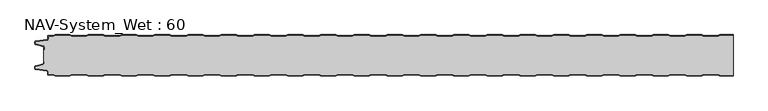
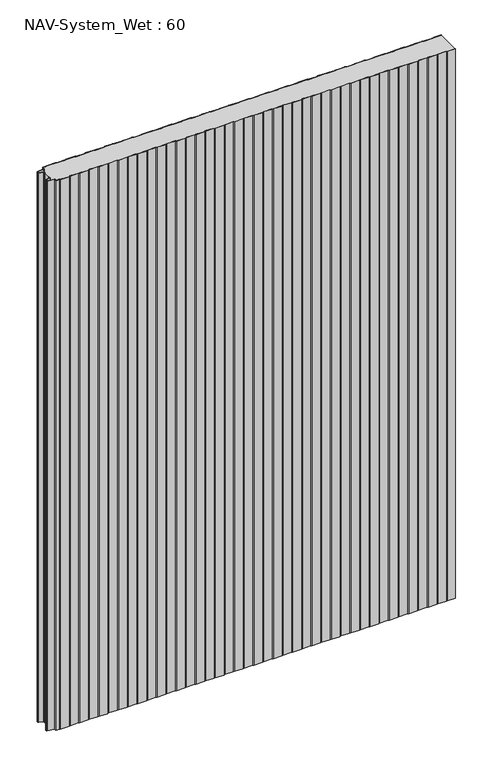
"""IFC4 building model written with IfcOpenShell, lengths in millimetres: plate geometry, NAV-System_Wet : 60."""

from ifc_helpers import new_model, si_unit, point, frame_2d, origin, origin_with_axes, place, context, project, spatial, polyline, circle_curve, trimmed, segment, composite_curve, outline, extrude, source, transform, mapped, element, save


def nav_system_wet_60_03196c80(model_context):
    return source(origin(), model_context, "Body", "SweptSolid", [
        extrude(outline(composite_curve([segment(polyline([(480.3684327, -0.8), (477.3684327, 0.2), (455.3684327, 0.2), (452.3684327, -0.8), (430.3684327, -0.8), (427.3684327, 0.2), (405.3684327, 0.2), (402.3684327, -0.8), (380.3684327, -0.8), (377.3684327, 0.2), (355.3684327, 0.2), (352.3684327, -0.8), (330.3684327, -0.8), (327.3684327, 0.2), (305.3684327, 0.2), (302.3684327, -0.8), (280.3684327, -0.8), (277.3684327, 0.2), (255.3684327, 0.2), (252.3684327, -0.8), (230.3684327, -0.8), (227.3684327, 0.2), (205.3684327, 0.2), (202.3684327, -0.8), (180.3684327, -0.8), (177.3684327, 0.2), (155.3684327, 0.2), (152.3684327, -0.8), (130.3684327, -0.8), (127.3684327, 0.2), (105.3684327, 0.2), (102.3684327, -0.8), (80.3684327, -0.8), (77.3684327, 0.2), (55.3684327, 0.2), (52.3684327, -0.8), (30.3684327, -0.8), (27.3684327, 0.2), (5.3684327, 0.2), (2.3684327, -0.8), (-19.6315673, -0.8), (-22.6315673, 0.2), (-44.6315673, 0.2), (-47.6315673, -0.8), (-69.6315673, -0.8), (-72.6315673, 0.2), (-94.6315673, 0.2), (-97.6315673, -0.8), (-119.6315673, -0.8), (-122.6315673, 0.2), (-144.6315673, 0.2), (-147.6315673, -0.8), (-169.6315673, -0.8), (-172.6315673, 0.2), (-194.6315673, 0.2), (-197.6315673, -0.8), (-219.6315673, -0.8), (-222.6315673, 0.2), (-244.6315673, 0.2), (-247.6315673, -0.8), (-269.6315673, -0.8), (-272.6315673, 0.2), (-294.6315673, 0.2), (-297.6315673, -0.8), (-319.6315673, -0.8), (-322.6315673, 0.2), (-344.6315673, 0.2), (-347.6315673, -0.8), (-369.6315673, -0.8), (-372.6315673, 0.2), (-394.6315673, 0.2), (-397.6315673, -0.8), (-419.6315673, -0.8), (-422.6315673, 0.2), (-444.6315673, 0.2), (-447.6315673, -0.8), (-469.6315673, -0.8), (-472.6315673, 0.2), (-494.6315673, 0.2), (-497.6315673, -0.8), (-504.7, -0.8)]), True, "CONTINUOUS"), segment(trimmed(circle_curve(frame_2d((-504.7, -1.3)), 0.5), [point((-504.7, -0.8))], [point((-505.2, -1.3))], True, "CARTESIAN"), True, "CONTINUOUS"), segment(polyline([(-505.2, -1.3), (-505.2, -5.3964683)]), True, "CONTINUOUS"), segment(trimmed(circle_curve(frame_2d((-506.7, -5.3964683)), 1.5), [point((-505.2, -5.3964683))], [point((-506.4911207, -6.8818536))], False, "CARTESIAN"), True, "CONTINUOUS"), segment(polyline([(-506.4911207, -6.8818536), (-523.4352183, -9.2645825)]), True, "CONTINUOUS"), segment(trimmed(circle_curve(frame_2d((-523.3114909, -10.1444347)), 0.8885091), [point((-523.4352183, -9.2645825))], [point((-524.2, -10.1444347))], True, "CARTESIAN"), True, "CONTINUOUS"), segment(polyline([(-524.2, -10.1444347), (-524.2, -12.46995)]), True, "CONTINUOUS"), segment(trimmed(circle_curve(frame_2d((-523.6, -12.46995)), 0.6), [point((-524.2, -12.46995))], [point((-523.7552914, -13.0495055))], True, "CARTESIAN"), True, "CONTINUOUS"), segment(polyline([(-523.7552914, -13.0495055), (-512.3785632, -16.0978907)]), True, "CONTINUOUS"), segment(trimmed(circle_curve(frame_2d((-512.7667917, -17.5467794)), 1.5), [point((-512.3785632, -16.0978907))], [point((-511.2667917, -17.5467794))], False, "CARTESIAN"), True, "CONTINUOUS"), segment(polyline([(-511.2667917, -17.5467794), (-511.2667917, -21.0096505), (-512.0667917, -21.0096505), (-512.0667917, -17.5467794)]), True, "CONTINUOUS"), segment(trimmed(circle_curve(frame_2d((-512.7667917, -17.5467794)), 0.7), [point((-512.0667917, -17.5467794))], [point((-512.5856184, -16.8706313))], True, "CARTESIAN"), True, "CONTINUOUS"), segment(polyline([(-512.5856184, -16.8706313), (-524.0364648, -13.8023863)]), True, "CONTINUOUS"), segment(trimmed(circle_curve(frame_2d((-523.7, -12.5466827)), 1.3), [point((-524.0364648, -13.8023863))], [point((-525.0, -12.5466827))], False, "CARTESIAN"), True, "CONTINUOUS"), segment(polyline([(-525.0, -12.5466827), (-525.0, -9.8067363)]), True, "CONTINUOUS"), segment(trimmed(circle_curve(frame_2d((-523.7, -9.8067363)), 1.3), [point((-525.0, -9.8067363))], [point((-523.8810287, -8.5194024))], False, "CARTESIAN"), True, "CONTINUOUS"), segment(polyline([(-523.8810287, -8.5194024), (-506.602523, -6.0896481)]), True, "CONTINUOUS"), segment(trimmed(circle_curve(frame_2d((-506.7, -5.3964683)), 0.7), [point((-506.602523, -6.0896481))], [point((-506.0, -5.3964683))], True, "CARTESIAN"), True, "CONTINUOUS"), segment(polyline([(-506.0, -5.3964683), (-506.0, -1.3)]), True, "CONTINUOUS"), segment(trimmed(circle_curve(frame_2d((-504.7, -1.3)), 1.3), [point((-506.0, -1.3))], [point((-504.7, 0.0))], False, "CARTESIAN"), True, "CONTINUOUS"), segment(polyline([(-504.7, 0.0), (-497.7613895, 0.0), (-494.7613895, 1.0), (-472.5017452, 1.0), (-469.5017452, 0.0), (-447.7613895, 0.0), (-444.7613895, 1.0), (-422.5017452, 1.0), (-419.5017452, 0.0), (-397.7613895, 0.0), (-394.7613895, 1.0), (-372.5017452, 1.0), (-369.5017452, 0.0), (-347.7613895, 0.0), (-344.7613895, 1.0), (-322.5017452, 1.0), (-319.5017452, 0.0), (-297.7613895, 0.0), (-294.7613895, 1.0), (-272.5017452, 1.0), (-269.5017452, 0.0), (-247.7613895, 0.0), (-244.7613895, 1.0), (-222.5017452, 1.0), (-219.5017452, 0.0), (-197.7613895, 0.0), (-194.7613895, 1.0), (-172.5017452, 1.0), (-169.5017452, 0.0), (-147.7613895, 0.0), (-144.7613895, 1.0), (-122.5017452, 1.0), (-119.5017452, 0.0), (-97.7613895, 0.0), (-94.7613895, 1.0), (-72.5017452, 1.0), (-69.5017452, 0.0), (-47.7613895, 0.0), (-44.7613895, 1.0), (-22.5017452, 1.0), (-19.5017452, 0.0), (2.2386105, 0.0), (5.2386105, 1.0), (27.4982548, 1.0), (30.4982548, 0.0), (52.2386105, 0.0), (55.2386105, 1.0), (77.4982548, 1.0), (80.4982548, 0.0), (102.2386105, 0.0), (105.2386105, 1.0), (127.4982548, 1.0), (130.4982548, 0.0), (152.2386105, 0.0), (155.2386105, 1.0), (177.4982548, 1.0), (180.4982548, 0.0), (202.2386105, 0.0), (205.2386105, 1.0), (227.4982548, 1.0), (230.4982548, 0.0), (252.2386105, 0.0), (255.2386105, 1.0), (277.4982548, 1.0), (280.4982548, 0.0), (302.2386105, 0.0), (305.2386105, 1.0), (327.4982548, 1.0), (330.4982548, 0.0), (352.2386105, 0.0), (355.2386105, 1.0), (377.4982548, 1.0), (380.4982548, 0.0), (402.2386105, 0.0), (405.2386105, 1.0), (427.4982548, 1.0), (430.4982548, 0.0), (452.2386105, 0.0), (455.2386105, 1.0), (477.4982548, 1.0), (480.4982548, 0.0), (502.2386105, 0.0), (505.2386105, 1.0), (525.0, 1.0), (525.0, 0.2), (505.3684327, 0.2), (502.3684327, -0.8), (480.3684327, -0.8)]), True, "CONTINUOUS")], self_intersect=False)), origin_with_axes(), (0.0, 0.0, 1.0), 1500.0),
        extrude(outline(composite_curve([segment(polyline([(480.3684327, -0.8), (502.3684327, -0.8), (505.3684327, 0.2), (525.0, 0.2), (525.0, -60.2), (505.3684327, -60.2), (502.3684327, -59.2), (480.3684327, -59.2), (477.3684327, -60.2), (455.3684327, -60.2), (452.3684327, -59.2), (430.3684327, -59.2), (427.3684327, -60.2), (405.3684327, -60.2), (402.3684327, -59.2), (380.3684327, -59.2), (377.3684327, -60.2), (355.3684327, -60.2), (352.3684327, -59.2), (330.3684327, -59.2), (327.3684327, -60.2), (305.3684327, -60.2), (302.3684327, -59.2), (280.3684327, -59.2), (277.3684327, -60.2), (255.3684327, -60.2), (252.3684327, -59.2), (230.3684327, -59.2), (227.3684327, -60.2), (205.3684327, -60.2), (202.3684327, -59.2), (180.3684327, -59.2), (177.3684327, -60.2), (155.3684327, -60.2), (152.3684327, -59.2), (130.3684327, -59.2), (127.3684327, -60.2), (105.3684327, -60.2), (102.3684327, -59.2), (80.3684327, -59.2), (77.3684327, -60.2), (55.3684327, -60.2), (52.3684327, -59.2), (30.3684327, -59.2), (27.3684327, -60.2), (5.3684327, -60.2), (2.3684327, -59.2), (-19.6315673, -59.2), (-22.6315673, -60.2), (-44.6315673, -60.2), (-47.6315673, -59.2), (-69.6315673, -59.2), (-72.6315673, -60.2), (-94.6315673, -60.2), (-97.6315673, -59.2), (-119.6315673, -59.2), (-122.6315673, -60.2), (-144.6315673, -60.2), (-147.6315673, -59.2), (-169.6315673, -59.2), (-172.6315673, -60.2), (-194.6315673, -60.2), (-197.6315673, -59.2), (-219.6315673, -59.2), (-222.6315673, -60.2), (-244.6315673, -60.2), (-247.6315673, -59.2), (-269.6315673, -59.2), (-272.6315673, -60.2), (-294.6315673, -60.2), (-297.6315673, -59.2), (-319.6315673, -59.2), (-322.6315673, -60.2), (-344.6315673, -60.2), (-347.6315673, -59.2), (-369.6315673, -59.2), (-372.6315673, -60.2), (-394.6315673, -60.2), (-397.6315673, -59.2), (-419.6315673, -59.2), (-422.6315673, -60.2), (-444.6315673, -60.2), (-447.6315673, -59.2), (-469.6315673, -59.2), (-472.6315673, -60.2), (-494.6315673, -60.2), (-497.6315673, -59.2), (-504.7, -59.2)]), True, "CONTINUOUS"), segment(trimmed(circle_curve(frame_2d((-504.7, -58.7)), 0.5), [point((-504.7, -59.2))], [point((-505.2, -58.7))], False, "CARTESIAN"), True, "CONTINUOUS"), segment(polyline([(-505.2, -58.7), (-505.2, -54.6035317)]), True, "CONTINUOUS"), segment(trimmed(circle_curve(frame_2d((-506.7, -54.6035317)), 1.5), [point((-505.2, -54.6035317))], [point((-506.4911207, -53.1181464))], True, "CARTESIAN"), True, "CONTINUOUS"), segment(polyline([(-506.4911207, -53.1181464), (-523.4352183, -50.7354175)]), True, "CONTINUOUS"), segment(trimmed(circle_curve(frame_2d((-523.3114909, -49.8555653)), 0.8885091), [point((-523.4352183, -50.7354175))], [point((-524.2, -49.8555653))], False, "CARTESIAN"), True, "CONTINUOUS"), segment(polyline([(-524.2, -49.8555653), (-524.2, -47.53005)]), True, "CONTINUOUS"), segment(trimmed(circle_curve(frame_2d((-523.6, -47.53005)), 0.6), [point((-524.2, -47.53005))], [point((-523.7552914, -46.9504945))], False, "CARTESIAN"), True, "CONTINUOUS"), segment(polyline([(-523.7552914, -46.9504945), (-512.3785632, -43.9021093)]), True, "CONTINUOUS"), segment(trimmed(circle_curve(frame_2d((-512.7667917, -42.4532206)), 1.5), [point((-512.3785632, -43.9021093))], [point((-511.2667917, -42.4532206))], True, "CARTESIAN"), True, "CONTINUOUS"), segment(polyline([(-511.2667917, -42.4532206), (-511.2667917, -38.9903495), (-512.0667917, -38.9903495), (-512.0667917, -21.0096505), (-511.2667917, -21.0096505), (-511.2667917, -17.5467794)]), True, "CONTINUOUS"), segment(trimmed(circle_curve(frame_2d((-512.7667917, -17.5467794)), 1.5), [point((-511.2667917, -17.5467794))], [point((-512.3785632, -16.0978907))], True, "CARTESIAN"), True, "CONTINUOUS"), segment(polyline([(-512.3785632, -16.0978907), (-523.7552914, -13.0495055)]), True, "CONTINUOUS"), segment(trimmed(circle_curve(frame_2d((-523.6, -12.46995)), 0.6), [point((-523.7552914, -13.0495055))], [point((-524.2, -12.46995))], False, "CARTESIAN"), True, "CONTINUOUS"), segment(polyline([(-524.2, -12.46995), (-524.2, -10.1444347)]), True, "CONTINUOUS"), segment(trimmed(circle_curve(frame_2d((-523.3114909, -10.1444347)), 0.8885091), [point((-524.2, -10.1444347))], [point((-523.4352183, -9.2645825))], False, "CARTESIAN"), True, "CONTINUOUS"), segment(polyline([(-523.4352183, -9.2645825), (-506.4911207, -6.8818536)]), True, "CONTINUOUS"), segment(trimmed(circle_curve(frame_2d((-506.7, -5.3964683)), 1.5), [point((-506.4911207, -6.8818536))], [point((-505.2, -5.3964683))], True, "CARTESIAN"), True, "CONTINUOUS"), segment(polyline([(-505.2, -5.3964683), (-505.2, -1.3)]), True, "CONTINUOUS"), segment(trimmed(circle_curve(frame_2d((-504.7, -1.3)), 0.5), [point((-505.2, -1.3))], [point((-504.7, -0.8))], False, "CARTESIAN"), True, "CONTINUOUS"), segment(polyline([(-504.7, -0.8), (-497.6315673, -0.8), (-494.6315673, 0.2), (-472.6315673, 0.2), (-469.6315673, -0.8), (-447.6315673, -0.8), (-444.6315673, 0.2), (-422.6315673, 0.2), (-419.6315673, -0.8), (-397.6315673, -0.8), (-394.6315673, 0.2), (-372.6315673, 0.2), (-369.6315673, -0.8), (-347.6315673, -0.8), (-344.6315673, 0.2), (-322.6315673, 0.2), (-319.6315673, -0.8), (-297.6315673, -0.8), (-294.6315673, 0.2), (-272.6315673, 0.2), (-269.6315673, -0.8), (-247.6315673, -0.8), (-244.6315673, 0.2), (-222.6315673, 0.2), (-219.6315673, -0.8), (-197.6315673, -0.8), (-194.6315673, 0.2), (-172.6315673, 0.2), (-169.6315673, -0.8), (-147.6315673, -0.8), (-144.6315673, 0.2), (-122.6315673, 0.2), (-119.6315673, -0.8), (-97.6315673, -0.8), (-94.6315673, 0.2), (-72.6315673, 0.2), (-69.6315673, -0.8), (-47.6315673, -0.8), (-44.6315673, 0.2), (-22.6315673, 0.2), (-19.6315673, -0.8), (2.3684327, -0.8), (5.3684327, 0.2), (27.3684327, 0.2), (30.3684327, -0.8), (52.3684327, -0.8), (55.3684327, 0.2), (77.3684327, 0.2), (80.3684327, -0.8), (102.3684327, -0.8), (105.3684327, 0.2), (127.3684327, 0.2), (130.3684327, -0.8), (152.3684327, -0.8), (155.3684327, 0.2), (177.3684327, 0.2), (180.3684327, -0.8), (202.3684327, -0.8), (205.3684327, 0.2), (227.3684327, 0.2), (230.3684327, -0.8), (252.3684327, -0.8), (255.3684327, 0.2), (277.3684327, 0.2), (280.3684327, -0.8), (302.3684327, -0.8), (305.3684327, 0.2), (327.3684327, 0.2), (330.3684327, -0.8), (352.3684327, -0.8), (355.3684327, 0.2), (377.3684327, 0.2), (380.3684327, -0.8), (402.3684327, -0.8), (405.3684327, 0.2), (427.3684327, 0.2), (430.3684327, -0.8), (452.3684327, -0.8), (455.3684327, 0.2), (477.3684327, 0.2), (480.3684327, -0.8)]), True, "CONTINUOUS")], self_intersect=False)), origin_with_axes(), (0.0, 0.0, 1.0), 1500.0),
        extrude(outline(composite_curve([segment(polyline([(480.3684327, -59.2), (502.3684327, -59.2), (505.3684327, -60.2), (525.0, -60.2), (525.0, -61.0), (505.2386105, -61.0), (502.2386105, -60.0), (480.4982548, -60.0), (477.4982548, -61.0), (455.2386105, -61.0), (452.2386105, -60.0), (430.4982548, -60.0), (427.4982548, -61.0), (405.2386105, -61.0), (402.2386105, -60.0), (380.4982548, -60.0), (377.4982548, -61.0), (355.2386105, -61.0), (352.2386105, -60.0), (330.4982548, -60.0), (327.4982548, -61.0), (305.2386105, -61.0), (302.2386105, -60.0), (280.4982548, -60.0), (277.4982548, -61.0), (255.2386105, -61.0), (252.2386105, -60.0), (230.4982548, -60.0), (227.4982548, -61.0), (205.2386105, -61.0), (202.2386105, -60.0), (180.4982548, -60.0), (177.4982548, -61.0), (155.2386105, -61.0), (152.2386105, -60.0), (130.4982548, -60.0), (127.4982548, -61.0), (105.2386105, -61.0), (102.2386105, -60.0), (80.4982548, -60.0), (77.4982548, -61.0), (55.2386105, -61.0), (52.2386105, -60.0), (30.4982548, -60.0), (27.4982548, -61.0), (5.2386105, -61.0), (2.2386105, -60.0), (-19.5017452, -60.0), (-22.5017452, -61.0), (-44.7613895, -61.0), (-47.7613895, -60.0), (-69.5017452, -60.0), (-72.5017452, -61.0), (-94.7613895, -61.0), (-97.7613895, -60.0), (-119.5017452, -60.0), (-122.5017452, -61.0), (-144.7613895, -61.0), (-147.7613895, -60.0), (-169.5017452, -60.0), (-172.5017452, -61.0), (-194.7613895, -61.0), (-197.7613895, -60.0), (-219.5017452, -60.0), (-222.5017452, -61.0), (-244.7613895, -61.0), (-247.7613895, -60.0), (-269.5017452, -60.0), (-272.5017452, -61.0), (-294.7613895, -61.0), (-297.7613895, -60.0), (-319.5017452, -60.0), (-322.5017452, -61.0), (-344.7613895, -61.0), (-347.7613895, -60.0), (-369.5017452, -60.0), (-372.5017452, -61.0), (-394.7613895, -61.0), (-397.7613895, -60.0), (-419.5017452, -60.0), (-422.5017452, -61.0), (-444.7613895, -61.0), (-447.7613895, -60.0), (-469.5017452, -60.0), (-472.5017452, -61.0), (-494.7613895, -61.0), (-497.7613895, -60.0), (-504.7, -60.0)]), True, "CONTINUOUS"), segment(trimmed(circle_curve(frame_2d((-504.7, -58.7)), 1.3), [point((-504.7, -60.0))], [point((-506.0, -58.7))], False, "CARTESIAN"), True, "CONTINUOUS"), segment(polyline([(-506.0, -58.7), (-506.0, -54.6035317)]), True, "CONTINUOUS"), segment(trimmed(circle_curve(frame_2d((-506.7, -54.6035317)), 0.7), [point((-506.0, -54.6035317))], [point((-506.602523, -53.9103519))], True, "CARTESIAN"), True, "CONTINUOUS"), segment(polyline([(-506.602523, -53.9103519), (-523.8810287, -51.4805976)]), True, "CONTINUOUS"), segment(trimmed(circle_curve(frame_2d((-523.7, -50.1932637)), 1.3), [point((-523.8810287, -51.4805976))], [point((-525.0, -50.1932637))], False, "CARTESIAN"), True, "CONTINUOUS"), segment(polyline([(-525.0, -50.1932637), (-525.0, -47.4533173)]), True, "CONTINUOUS"), segment(trimmed(circle_curve(frame_2d((-523.7, -47.4533173)), 1.3), [point((-525.0, -47.4533173))], [point((-524.0364648, -46.1976137))], False, "CARTESIAN"), True, "CONTINUOUS"), segment(polyline([(-524.0364648, -46.1976137), (-512.5856184, -43.1293687)]), True, "CONTINUOUS"), segment(trimmed(circle_curve(frame_2d((-512.7667917, -42.4532206)), 0.7), [point((-512.5856184, -43.1293687))], [point((-512.0667917, -42.4532206))], True, "CARTESIAN"), True, "CONTINUOUS"), segment(polyline([(-512.0667917, -42.4532206), (-512.0667917, -38.9903495), (-511.2667917, -38.9903495), (-511.2667917, -42.4532206)]), True, "CONTINUOUS"), segment(trimmed(circle_curve(frame_2d((-512.7667917, -42.4532206)), 1.5), [point((-511.2667917, -42.4532206))], [point((-512.3785632, -43.9021093))], False, "CARTESIAN"), True, "CONTINUOUS"), segment(polyline([(-512.3785632, -43.9021093), (-523.7552914, -46.9504945)]), True, "CONTINUOUS"), segment(trimmed(circle_curve(frame_2d((-523.6, -47.53005)), 0.6), [point((-523.7552914, -46.9504945))], [point((-524.2, -47.53005))], True, "CARTESIAN"), True, "CONTINUOUS"), segment(polyline([(-524.2, -47.53005), (-524.2, -49.8555653)]), True, "CONTINUOUS"), segment(trimmed(circle_curve(frame_2d((-523.3114909, -49.8555653)), 0.8885091), [point((-524.2, -49.8555653))], [point((-523.4352183, -50.7354175))], True, "CARTESIAN"), True, "CONTINUOUS"), segment(polyline([(-523.4352183, -50.7354175), (-506.4911207, -53.1181464)]), True, "CONTINUOUS"), segment(trimmed(circle_curve(frame_2d((-506.7, -54.6035317)), 1.5), [point((-506.4911207, -53.1181464))], [point((-505.2, -54.6035317))], False, "CARTESIAN"), True, "CONTINUOUS"), segment(polyline([(-505.2, -54.6035317), (-505.2, -58.7)]), True, "CONTINUOUS"), segment(trimmed(circle_curve(frame_2d((-504.7, -58.7)), 0.5), [point((-505.2, -58.7))], [point((-504.7, -59.2))], True, "CARTESIAN"), True, "CONTINUOUS"), segment(polyline([(-504.7, -59.2), (-497.6315673, -59.2), (-494.6315673, -60.2), (-472.6315673, -60.2), (-469.6315673, -59.2), (-447.6315673, -59.2), (-444.6315673, -60.2), (-422.6315673, -60.2), (-419.6315673, -59.2), (-397.6315673, -59.2), (-394.6315673, -60.2), (-372.6315673, -60.2), (-369.6315673, -59.2), (-347.6315673, -59.2), (-344.6315673, -60.2), (-322.6315673, -60.2), (-319.6315673, -59.2), (-297.6315673, -59.2), (-294.6315673, -60.2), (-272.6315673, -60.2), (-269.6315673, -59.2), (-247.6315673, -59.2), (-244.6315673, -60.2), (-222.6315673, -60.2), (-219.6315673, -59.2), (-197.6315673, -59.2), (-194.6315673, -60.2), (-172.6315673, -60.2), (-169.6315673, -59.2), (-147.6315673, -59.2), (-144.6315673, -60.2), (-122.6315673, -60.2), (-119.6315673, -59.2), (-97.6315673, -59.2), (-94.6315673, -60.2), (-72.6315673, -60.2), (-69.6315673, -59.2), (-47.6315673, -59.2), (-44.6315673, -60.2), (-22.6315673, -60.2), (-19.6315673, -59.2), (2.3684327, -59.2), (5.3684327, -60.2), (27.3684327, -60.2), (30.3684327, -59.2), (52.3684327, -59.2), (55.3684327, -60.2), (77.3684327, -60.2), (80.3684327, -59.2), (102.3684327, -59.2), (105.3684327, -60.2), (127.3684327, -60.2), (130.3684327, -59.2), (152.3684327, -59.2), (155.3684327, -60.2), (177.3684327, -60.2), (180.3684327, -59.2), (202.3684327, -59.2), (205.3684327, -60.2), (227.3684327, -60.2), (230.3684327, -59.2), (252.3684327, -59.2), (255.3684327, -60.2), (277.3684327, -60.2), (280.3684327, -59.2), (302.3684327, -59.2), (305.3684327, -60.2), (327.3684327, -60.2), (330.3684327, -59.2), (352.3684327, -59.2), (355.3684327, -60.2), (377.3684327, -60.2), (380.3684327, -59.2), (402.3684327, -59.2), (405.3684327, -60.2), (427.3684327, -60.2), (430.3684327, -59.2), (452.3684327, -59.2), (455.3684327, -60.2), (477.3684327, -60.2), (480.3684327, -59.2)]), True, "CONTINUOUS")], self_intersect=False)), origin_with_axes(), (0.0, 0.0, 1.0), 1500.0),
    ])


if __name__ == "__main__":
    model = new_model("IFC4")
    model_context = context("Model", 3, world=origin())
    ifc_project = project(units=[si_unit("LENGTHUNIT", "METRE", prefix="MILLI")], contexts=[model_context])
    site = spatial("IfcSite", under=ifc_project)
    building = spatial("IfcBuilding", under=site)
    placement = place(None, origin())
    nav_system_wet_60_shape = nav_system_wet_60_03196c80(model_context)
    element("IfcPlate", 1, ObjectType="NAV-System_Wet : 60", at=placement, inside=building, context=model_context, shape_type="MappedRepresentation", body=[
        mapped(nav_system_wet_60_shape, transform((0.0, 0.0, 0.0), x_axis=(1.0, 0.0, 0.0), y_axis=(0.0, 1.0, 0.0), z_axis=(0.0, 0.0, 1.0))),
    ])
    save(model, "model.ifc")
